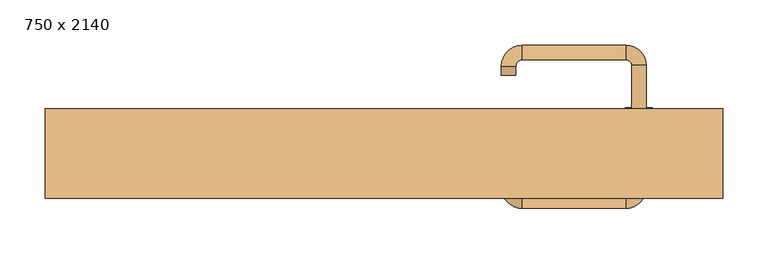
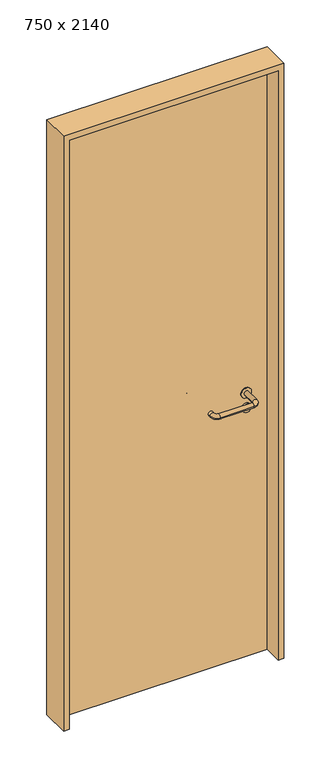
"""IFC4 building model written with IfcOpenShell, lengths in millimetres: door geometry, 750 x 2140."""

import ifcopenshell
import ifcopenshell.guid

model = None  # the IFC model being written
_history = None  # IfcOwnerHistory: only IFC2X3 demands one
_inside = {}  # id of a spatial element -> (the spatial element, [elements in it])
_under = {}  # id of a project, library or spatial element -> (it, [spatial elements below it])
_declared = {}  # id of a project -> (the project, [libraries it declares])
_typed = {}  # id of a type object -> (the type object, [elements of that type])
_made_of = {}  # id of a material, layer set ... -> (it, [elements and type objects made of it])


def new_model(schema):
    """Start an empty IFC model of exactly this schema.

    Asked for "IFC4X3", IfcOpenShell would pick the latest addendum, in which some entities
    have other attributes; the version numbers below select the first issue.
    IFC2X3 requires an IfcOwnerHistory on every rooted entity: one is made here for all.
    """
    global model, _history
    if schema == "IFC4X3":
        model = ifcopenshell.file(schema_version=(4, 3, 0, 0))
    else:
        model = ifcopenshell.file(schema=schema)
    _inside.clear()
    _under.clear()
    _declared.clear()
    _typed.clear()
    _made_of.clear()
    _history = None
    if model.schema == "IFC2X3":
        org = make("IfcOrganization", Name="unknown")
        user = make(
            "IfcPersonAndOrganization",
            ThePerson=make("IfcPerson", FamilyName="unknown"),
            TheOrganization=org,
        )
        app = make(
            "IfcApplication",
            ApplicationDeveloper=org,
            Version="unknown",
            ApplicationFullName="unknown",
            ApplicationIdentifier="unknown",
        )
        _history = make(
            "IfcOwnerHistory",
            OwningUser=user,
            OwningApplication=app,
            ChangeAction="ADDED",
            CreationDate=0,
        )
    return model


def make(cls, **values):
    """One entity of the class cls with the attributes given. An attribute that is None is left unset."""
    return model.create_entity(
        cls, **{name: value for name, value in values.items() if value is not None}
    )


def rooted(cls, **values):
    """An entity with a GlobalId (a new one), such as an element, a storey or a relation."""
    return make(cls, GlobalId=ifcopenshell.guid.new(), OwnerHistory=_history, **values)


def si_unit(unit_type, name, prefix=None):
    """IfcSIUnit, for example si_unit("LENGTHUNIT", "METRE", prefix="MILLI")."""
    return make("IfcSIUnit", UnitType=unit_type, Prefix=prefix, Name=name)


def assignment(units):
    """IfcUnitAssignment: the units of a project."""
    return None if units is None else make("IfcUnitAssignment", Units=units)


def point(xyz):
    """IfcCartesianPoint."""
    return None if xyz is None else make("IfcCartesianPoint", Coordinates=xyz)


def direction(xyz):
    """IfcDirection."""
    return None if xyz is None else make("IfcDirection", DirectionRatios=xyz)


def frame(location, z_axis=None, x_axis=None):
    """IfcAxis2Placement3D, a coordinate frame: its origin and axes. An axis left out is left unset."""
    return make(
        "IfcAxis2Placement3D",
        Location=point(location),
        Axis=direction(z_axis),
        RefDirection=direction(x_axis),
    )


def frame_2d(location, x_axis=None):
    """IfcAxis2Placement2D, a coordinate frame in the plane: its origin and x axis."""
    return make(
        "IfcAxis2Placement2D", Location=point(location), RefDirection=direction(x_axis)
    )


def origin():
    """The frame at (0, 0, 0) with its axes left unset."""
    return frame((0.0, 0.0, 0.0))


def origin_with_axes():
    """The frame at (0, 0, 0) with the z axis (0, 0, 1) and the x axis (1, 0, 0) written out."""
    return frame((0.0, 0.0, 0.0), z_axis=(0.0, 0.0, 1.0), x_axis=(1.0, 0.0, 0.0))


def place(relative_to, where):
    """IfcLocalPlacement: puts the frame where relative to a parent placement (None: the world)."""
    return make(
        "IfcLocalPlacement", PlacementRelTo=relative_to, RelativePlacement=where
    )


def context(
    kind, dimensions, precision=None, world=None, true_north=None, identifier=None
):
    """IfcGeometricRepresentationContext, for example the 3D "Model" context."""
    return make(
        "IfcGeometricRepresentationContext",
        ContextIdentifier=identifier,
        ContextType=kind,
        CoordinateSpaceDimension=dimensions,
        Precision=precision,
        WorldCoordinateSystem=world,
        TrueNorth=true_north,
    )


def project(units=None, contexts=None):
    """IfcProject with its units and contexts."""
    return rooted(
        "IfcProject",
        Name="project",
        RepresentationContexts=contexts,
        UnitsInContext=assignment(units),
    )


def spatial(cls, under=None, at=None, **own):
    """A site, building, storey or space (cls), placed at a placement, below another one or the project."""
    s = rooted(cls, ObjectPlacement=at, **own)
    if under is not None:
        _under.setdefault(under.id(), (under, []))[1].append(s)
    return s


def polyline(points):
    """IfcPolyline through the points."""
    return make("IfcPolyline", Points=[point(p) for p in points])


def circle_curve(where, radius):
    """IfcCircle in the frame where."""
    return make("IfcCircle", Position=where, Radius=radius)


def ellipse_curve(where, semi_axis1, semi_axis2):
    """IfcEllipse in the frame where."""
    return make(
        "IfcEllipse", Position=where, SemiAxis1=semi_axis1, SemiAxis2=semi_axis2
    )


def trimmed(basis, trim1, trim2, sense, master):
    """IfcTrimmedCurve: the piece of a basis curve between two trims."""
    return make(
        "IfcTrimmedCurve",
        BasisCurve=basis,
        Trim1=trim1,
        Trim2=trim2,
        SenseAgreement=sense,
        MasterRepresentation=master,
    )


def segment(curve, same_sense, transition):
    """IfcCompositeCurveSegment."""
    return make(
        "IfcCompositeCurveSegment",
        Transition=transition,
        SameSense=same_sense,
        ParentCurve=curve,
    )


def composite_curve(segments, self_intersect=None):
    """IfcCompositeCurve: segments joined end to end."""
    return make("IfcCompositeCurve", Segments=segments, SelfIntersect=self_intersect)


def outline(outer, holes=None, kind="AREA"):
    """IfcArbitraryClosedProfileDef: a profile drawn as a closed curve; with holes, ...WithVoids."""
    if holes is None:
        return make("IfcArbitraryClosedProfileDef", ProfileType=kind, OuterCurve=outer)
    return make(
        "IfcArbitraryProfileDefWithVoids",
        ProfileType=kind,
        OuterCurve=outer,
        InnerCurves=holes,
    )


def extrude(swept, where, along, depth):
    """IfcExtrudedAreaSolid: the profile swept, set in the frame where, extruded along a direction by depth."""
    return make(
        "IfcExtrudedAreaSolid",
        SweptArea=swept,
        Position=where,
        ExtrudedDirection=direction(along),
        Depth=depth,
    )


def shape(context_of_items, identifier, shape_type, items):
    """IfcShapeRepresentation: the items that make up one representation, for example the "Body"."""
    return make(
        "IfcShapeRepresentation",
        ContextOfItems=context_of_items,
        RepresentationIdentifier=identifier,
        RepresentationType=shape_type,
        Items=items,
    )


def source(mapping_origin, context_of_items, identifier, shape_type, items):
    """IfcRepresentationMap: a shape defined once, which mapped items show again and again."""
    return make(
        "IfcRepresentationMap",
        MappingOrigin=mapping_origin,
        MappedRepresentation=shape(context_of_items, identifier, shape_type, items),
    )


def transform(
    local_origin,
    x_axis=None,
    y_axis=None,
    z_axis=None,
    scale=None,
    scale2=None,
    scale3=None,
    uniform=True,
):
    """IfcCartesianTransformationOperator3D, or its non-uniform kind. x_axis, y_axis, z_axis: its Axis1, 2, 3."""
    if uniform:
        return make(
            "IfcCartesianTransformationOperator3D",
            Axis1=direction(x_axis),
            Axis2=direction(y_axis),
            LocalOrigin=point(local_origin),
            Scale=scale,
            Axis3=direction(z_axis),
        )
    return make(
        "IfcCartesianTransformationOperator3DnonUniform",
        Axis1=direction(x_axis),
        Axis2=direction(y_axis),
        LocalOrigin=point(local_origin),
        Scale=scale,
        Axis3=direction(z_axis),
        Scale2=scale2,
        Scale3=scale3,
    )


def mapped(mapping_source, mapping_target):
    """IfcMappedItem: shows the shape of a source again, moved by a transform."""
    return make(
        "IfcMappedItem", MappingSource=mapping_source, MappingTarget=mapping_target
    )


def made_of(thing, what):
    """Note that an element or type object is made of a material, layer set ...; save() writes the relation."""
    if what is not None:
        _made_of.setdefault(what.id(), (what, []))[1].append(thing)
    return thing


def element(
    cls,
    number,
    at=None,
    inside=None,
    cuts=None,
    type_object=None,
    material=None,
    context=None,
    identifier="Body",
    shape_type=None,
    held_by="IfcProductDefinitionShape",
    body=None,
    shapes=None,
    **own,
):
    """One element of the class cls, such as IfcWall. Its Tag is "e" and its number.

    at: its placement. inside: the storey or other place that contains it. cuts: it is an
    opening in that element (IfcRelVoidsElement). A single representation is given by context,
    identifier, shape_type and body (its items); several are given by shapes. held_by: the class
    of the entity that holds the representations. save() writes the other relations.
    """
    e = rooted(cls, Tag="e%d" % number, ObjectPlacement=at, **own)
    if body is not None:
        shapes = [shape(context, identifier, shape_type, body)]
    if shapes is not None:
        e.Representation = make(held_by, Representations=shapes)
    if inside is not None:
        _inside.setdefault(inside.id(), (inside, []))[1].append(e)
    if cuts is not None:
        rooted(
            "IfcRelVoidsElement", RelatingBuildingElement=cuts, RelatedOpeningElement=e
        )
    if type_object is not None:
        _typed.setdefault(type_object.id(), (type_object, []))[1].append(e)
    return made_of(e, material)


def aggregate(whole, parts):
    """IfcRelAggregates: a whole, such as a stair, and the parts it consists of."""
    return rooted("IfcRelAggregates", RelatingObject=whole, RelatedObjects=parts)


def save(model, path):
    """Write the relations noted so far, then the file.

    IfcRelAggregates (storeys below a building ...), IfcRelContainedInSpatialStructure (elements
    in a storey), IfcRelDefinesByType, IfcRelAssociatesMaterial and IfcRelDeclares: one each for
    every whole, place, type object, material and project.
    """
    for whole, parts in _under.values():
        aggregate(whole, parts)
    for where, things in _inside.values():
        rooted(
            "IfcRelContainedInSpatialStructure",
            RelatedElements=things,
            RelatingStructure=where,
        )
    for kind, things in _typed.values():
        rooted("IfcRelDefinesByType", RelatedObjects=things, RelatingType=kind)
    for what, things in _made_of.values():
        rooted("IfcRelAssociatesMaterial", RelatedObjects=things, RelatingMaterial=what)
    for by, libraries in _declared.values():
        rooted("IfcRelDeclares", RelatingContext=by, RelatedDefinitions=libraries)
    model.write(path)


def plane_surface(at):
    """IfcPlane: the flat surface through the origin of the frame at, square to its z axis."""
    return make("IfcPlane", Position=at)


def cylinder_surface(at, radius):
    """IfcCylindricalSurface: all points at the distance radius from the z axis of the frame at."""
    return make("IfcCylindricalSurface", Position=at, Radius=radius)


def revolved_surface(curve, axis_point, axis_direction):
    """IfcSurfaceOfRevolution: the curve turned about the line through axis_point along axis_direction."""
    return make(
        "IfcSurfaceOfRevolution",
        SweptCurve=make("IfcArbitraryOpenProfileDef", ProfileType="CURVE", Curve=curve),
        AxisPosition=make("IfcAxis1Placement", Location=point(axis_point), Axis=direction(axis_direction)),
    )


def advanced_brep(points, edges, surfaces, faces):
    """IfcAdvancedBrep: a solid bounded by faces that lie on surfaces and meet in shared edges.

    An edge is (start, end): straight between two places in points (the first is 0);
    or (start, end, curve); or (start, end, curve, False) where it runs against its curve.
    A face is (place in surfaces, loops), or (place, loops, False) where it looks against
    its surface's normal. A loop lists edges by number (the first is 1), with a minus sign
    where the edge is run from its end to its start. The first loop is the outer one.
    """
    corners = [point(p) for p in points]
    vertices = [make("IfcVertexPoint", VertexGeometry=c) for c in corners]
    made = []
    for start, end, *more in edges:
        made.append(
            make(
                "IfcEdgeCurve",
                EdgeStart=vertices[start],
                EdgeEnd=vertices[end],
                EdgeGeometry=more[0] if more else make("IfcPolyline", Points=[corners[start], corners[end]]),
                SameSense=more[1] if len(more) > 1 else True,
            )
        )
    hull = []
    for where, loops, *sense in faces:
        bounds = []
        for j, loop in enumerate(loops):
            ring = [make("IfcOrientedEdge", EdgeElement=made[abs(k) - 1], Orientation=k > 0) for k in loop]
            bounds.append(
                make(
                    "IfcFaceOuterBound" if j == 0 else "IfcFaceBound",
                    Bound=make("IfcEdgeLoop", EdgeList=ring),
                    Orientation=True,
                )
            )
        hull.append(make("IfcAdvancedFace", Bounds=bounds, FaceSurface=surfaces[where], SameSense=sense[0] if sense else True))
    return make("IfcAdvancedBrep", Outer=make("IfcClosedShell", CfsFaces=hull))


def door_750_x_2140_cf965379(model_context):
    return source(origin(), model_context, "Body", "SolidModel", [
        extrude(outline(composite_curve([segment(trimmed(circle_curve(frame_2d((897.3605726, 282.0)), 15.0), [point((897.3605726, 297.0))], [point((897.3605726, 267.0))], False, "CARTESIAN"), True, "CONTINUOUS"), segment(trimmed(circle_curve(frame_2d((897.3605726, 282.0)), 15.0), [point((897.3605726, 267.0))], [point((897.3605726, 297.0))], False, "CARTESIAN"), True, "CONTINUOUS")], self_intersect=False), holes=[composite_curve([segment(trimmed(circle_curve(frame_2d((892.5833211, 281.9398032)), 2.0), [point((892.5833211, 283.9398032))], [point((892.5833211, 279.9398032))], True, "CARTESIAN"), True, "CONTINUOUS"), segment(polyline([(892.5833211, 279.9398032), (902.5833211, 279.9398032)]), True, "CONTINUOUS"), segment(trimmed(circle_curve(frame_2d((902.5833211, 281.9398032)), 2.0), [point((902.5833211, 279.9398032))], [point((902.5833211, 283.9398032))], True, "CARTESIAN"), True, "CONTINUOUS"), segment(polyline([(902.5833211, 283.9398032), (892.5833211, 283.9398032)]), True, "CONTINUOUS")], self_intersect=False)]), frame((0.0, 8.65, 0.0), z_axis=(0.0, 1.0, 0.0), x_axis=(0.0, 0.0, 1.0)), (0.0, 0.0, 1.0), 6.35),
        extrude(outline(composite_curve([segment(trimmed(circle_curve(frame_2d((950.0, 282.0)), 17.526), [point((950.0, 299.526))], [point((950.0, 264.474))], False, "CARTESIAN"), True, "CONTINUOUS"), segment(trimmed(circle_curve(frame_2d((950.0, 282.0)), 17.526), [point((950.0, 264.474))], [point((950.0, 299.526))], False, "CARTESIAN"), True, "CONTINUOUS")], self_intersect=False)), frame((0.0, 11.825, 0.0), z_axis=(0.0, 1.0, 0.0), x_axis=(0.0, 0.0, 1.0)), (0.0, 0.0, 1.0), 3.175),
        advanced_brep(
        [(290.0, 15.0, 950.0), (274.0, 15.0, 950.0), (274.0, -38.0, 950.0), (290.0, -38.0, 950.0), (267.8578644, -44.1421356, 950.0), (267.8578644, -60.1421356, 950.0), (152.8578644, -44.1421356, 950.0), (152.8578644, -60.1421356, 950.0), (146.008622, -37.2928932, 950.0), (130.008622, -37.2928932, 950.0), (130.008622, -27.2928932, 950.0), (146.008622, -27.2928932, 950.0)],
        [
            (0, 1, circle_curve(frame((282.0, 15.0, 950.0), z_axis=(0.0, 1.0, 0.0), x_axis=(-1.0, 0.0, 0.0)), 8.0)),
            (1, 0, circle_curve(frame((282.0, 15.0, 950.0), z_axis=(0.0, 1.0, 0.0), x_axis=(-1.0, 0.0, 0.0)), 8.0)),
            (1, 2),
            (2, 3, circle_curve(frame((282.0, -38.0, 950.0), z_axis=(0.0, 1.0, 0.0), x_axis=(-1.0, 0.0, 0.0)), 8.0)),
            (3, 0),
            (3, 2, circle_curve(frame((282.0, -38.0, 950.0), z_axis=(0.0, 1.0, 0.0), x_axis=(-1.0, 0.0, 0.0)), 8.0)),
            (4, 5, circle_curve(frame((267.8578644, -52.1421356, 950.0), z_axis=(1.0, 0.0, 0.0), x_axis=(0.0, 1.0, 0.0)), 8.0)),
            (5, 3, circle_curve(frame((267.8578644, -38.0, 950.0), z_axis=(0.0, 0.0, 1.0), x_axis=(1.0, 0.0, 0.0)), 22.1421356)),
            (2, 4, circle_curve(frame((267.8578644, -38.0, 950.0), z_axis=(0.0, 0.0, -1.0), x_axis=(1.0, 0.0, 0.0)), 6.1421356)),
            (5, 4, circle_curve(frame((267.8578644, -52.1421356, 950.0), z_axis=(1.0, 0.0, 0.0), x_axis=(0.0, 1.0, 0.0)), 8.0)),
            (4, 6),
            (6, 7, circle_curve(frame((152.8578644, -52.1421356, 950.0), z_axis=(1.0, 0.0, 0.0), x_axis=(0.0, 1.0, 0.0)), 8.0)),
            (7, 5),
            (7, 6, circle_curve(frame((152.8578644, -52.1421356, 950.0), z_axis=(1.0, 0.0, 0.0), x_axis=(0.0, 1.0, 0.0)), 8.0)),
            (8, 9, circle_curve(frame((138.008622, -37.2928932, 950.0), z_axis=(0.0, -1.0, 0.0), x_axis=(1.0, 0.0, 0.0)), 8.0)),
            (9, 7, circle_curve(frame((152.8578644, -37.2928932, 950.0), z_axis=(0.0, 0.0, 1.0), x_axis=(0.0, -1.0, 0.0)), 22.8492424)),
            (6, 8, circle_curve(frame((152.8578644, -37.2928932, 950.0), z_axis=(0.0, 0.0, -1.0), x_axis=(0.0, -1.0, 0.0)), 6.8492424)),
            (9, 8, circle_curve(frame((138.008622, -37.2928932, 950.0), z_axis=(0.0, -1.0, 0.0), x_axis=(1.0, 0.0, 0.0)), 8.0)),
            (10, 11, circle_curve(frame((138.008622, -27.2928932, 950.0), z_axis=(0.0, 1.0, 0.0), x_axis=(1.0, 0.0, 0.0)), 8.0)),
            (11, 10, circle_curve(frame((138.008622, -27.2928932, 950.0), z_axis=(0.0, 1.0, 0.0), x_axis=(1.0, 0.0, 0.0)), 8.0)),
            (8, 11),
            (10, 9),
        ],
        [
            plane_surface(frame((282.0, 15.0, 0.0), z_axis=(0.0, 1.0, 0.0), x_axis=(0.0, 0.0, 1.0))),
            cylinder_surface(frame((282.0, 15.0, 950.0), z_axis=(0.0, 1.0, 0.0), x_axis=(-1.0, 0.0, 0.0)), 8.0),
            revolved_surface(trimmed(ellipse_curve(frame((282.0, -38.0, 950.0), z_axis=(0.0, -1.0, 0.0), x_axis=(-1.0, 0.0, 0.0)), 8.0, 8.0), [point((290.0, -38.0, 950.0))], [point((274.0, -38.0, 950.0))], True, "CARTESIAN"), (267.8578644, -38.0, 0.0), (0.0, 0.0, 1.0)),
            revolved_surface(trimmed(ellipse_curve(frame((282.0, -38.0, 950.0), z_axis=(0.0, -1.0, 0.0), x_axis=(-1.0, 0.0, 0.0)), 8.0, 8.0), [point((274.0, -38.0, 950.0))], [point((290.0, -38.0, 950.0))], True, "CARTESIAN"), (267.8578644, -38.0, 0.0), (0.0, 0.0, 1.0)),
            cylinder_surface(frame((267.8578644, -52.1421356, 950.0), z_axis=(1.0, 0.0, 0.0), x_axis=(0.0, 1.0, 0.0)), 8.0),
            revolved_surface(trimmed(ellipse_curve(frame((152.8578644, -52.1421356, 950.0), z_axis=(-1.0, 0.0, 0.0), x_axis=(0.0, 1.0, 0.0)), 8.0, 8.0), [point((152.8578644, -60.1421356, 950.0))], [point((152.8578644, -44.1421356, 950.0))], True, "CARTESIAN"), (152.8578644, -37.2928932, 0.0), (0.0, 0.0, 1.0)),
            revolved_surface(trimmed(ellipse_curve(frame((152.8578644, -52.1421356, 950.0), z_axis=(-1.0, 0.0, 0.0), x_axis=(0.0, 1.0, 0.0)), 8.0, 8.0), [point((152.8578644, -44.1421356, 950.0))], [point((152.8578644, -60.1421356, 950.0))], True, "CARTESIAN"), (152.8578644, -37.2928932, 0.0), (0.0, 0.0, 1.0)),
            plane_surface(frame((138.008622, -27.2928932, 0.0), z_axis=(0.0, 1.0, 0.0), x_axis=(0.0, 0.0, 1.0))),
            cylinder_surface(frame((138.008622, -37.2928932, 950.0), z_axis=(0.0, -1.0, 0.0), x_axis=(1.0, 0.0, 0.0)), 8.0),
        ],
        [
            (0, [[1, 2]]),
            (1, [[3, 4, 5, -2]]),
            (1, [[-5, 6, -3, -1]]),
            (2, [[7, 8, -4, 9]]),
            (3, [[10, -9, -6, -8]]),
            (4, [[11, 12, 13, -7]]),
            (4, [[-13, 14, -11, -10]]),
            (5, [[15, 16, -12, 17]]),
            (6, [[18, -17, -14, -16]]),
            (7, [[19, 20]]),
            (8, [[21, -19, 22, -15]]),
            (8, [[-22, -20, -21, -18]]),
        ],
    ),
        extrude(outline(composite_curve([segment(trimmed(circle_curve(frame_2d((0.0, -15.0)), 15.0), [point((0.0, -30.0))], [point((0.0, 0.0))], False, "CARTESIAN"), True, "CONTINUOUS"), segment(trimmed(circle_curve(frame_2d((0.0, -15.0)), 15.0), [point((0.0, 0.0))], [point((0.0, -30.0))], False, "CARTESIAN"), True, "CONTINUOUS")], self_intersect=False), holes=[composite_curve([segment(trimmed(circle_curve(frame_2d((4.7772515, -14.9398032)), 2.0), [point((4.7772515, -16.9398032))], [point((4.7772515, -12.9398032))], True, "CARTESIAN"), True, "CONTINUOUS"), segment(polyline([(4.7772515, -12.9398032), (-5.2227485, -12.9398032)]), True, "CONTINUOUS"), segment(trimmed(circle_curve(frame_2d((-5.2227485, -14.9398032)), 2.0), [point((-5.2227485, -12.9398032))], [point((-5.2227485, -16.9398032))], True, "CARTESIAN"), True, "CONTINUOUS"), segment(polyline([(-5.2227485, -16.9398032), (4.7772515, -16.9398032)]), True, "CONTINUOUS")], self_intersect=False)]), frame((267.0, 45.0, 897.3605726), z_axis=(1.8870575173328306e-12, 1.0, 0.0), x_axis=(0.0, 0.0, -1.0)), (0.0, 0.0, 1.0), 6.35),
        extrude(outline(composite_curve([segment(trimmed(circle_curve(frame_2d((0.0, -17.526)), 17.526), [point((0.0, -35.052))], [point((0.0, 0.0))], False, "CARTESIAN"), True, "CONTINUOUS"), segment(trimmed(circle_curve(frame_2d((0.0, -17.526)), 17.526), [point((0.0, 0.0))], [point((0.0, -35.052))], False, "CARTESIAN"), True, "CONTINUOUS")], self_intersect=False)), frame((264.474, 45.0, 950.0), z_axis=(1.8870575173328306e-12, 1.0, 0.0), x_axis=(0.0, 0.0, -1.0)), (0.0, 0.0, 1.0), 3.175),
        advanced_brep(
        [(290.0, 45.0, 950.0), (274.0, 45.0, 950.0), (290.0, 98.0, 950.0), (274.0, 98.0, 950.0), (267.8578644, 104.1421356, 950.0), (267.8578644, 120.1421356, 950.0), (152.8578644, 120.1421356, 950.0), (152.8578644, 104.1421356, 950.0), (146.008622, 97.2928932, 950.0), (130.008622, 97.2928932, 950.0), (130.008622, 87.2928932, 950.0), (146.008622, 87.2928932, 950.0)],
        [
            (0, 1, circle_curve(frame((282.0, 45.0, 950.0), z_axis=(-1.888672253512351e-12, -1.0, 0.0), x_axis=(-1.0, 1.888672253512351e-12, 0.0)), 8.0)),
            (1, 0, circle_curve(frame((282.0, 45.0, 950.0), z_axis=(-1.888672253512351e-12, -1.0, 0.0), x_axis=(-1.0, 1.888672253512351e-12, 0.0)), 8.0)),
            (0, 2),
            (2, 3, circle_curve(frame((282.0, 98.0, 950.0), z_axis=(-1.888672253512351e-12, -1.0, 0.0), x_axis=(-1.0, 1.888672253512351e-12, 0.0)), 8.0)),
            (3, 1),
            (3, 2, circle_curve(frame((282.0, 98.0, 950.0), z_axis=(-1.888672253512351e-12, -1.0, 0.0), x_axis=(-1.0, 1.888672253512351e-12, 0.0)), 8.0)),
            (4, 3, circle_curve(frame((267.8578644, 98.0, 950.0), z_axis=(0.0, 0.0, -1.0), x_axis=(1.0, -1.880717803715015e-12, 0.0)), 6.1421356)),
            (2, 5, circle_curve(frame((267.8578644, 98.0, 950.0), z_axis=(0.0, 0.0, 1.0), x_axis=(1.0, -1.880717803715015e-12, 0.0)), 22.1421356)),
            (5, 4, circle_curve(frame((267.8578644, 112.1421356, 950.0), z_axis=(1.0, -1.913702061528922e-12, 0.0), x_axis=(-1.913702061528922e-12, -1.0, 0.0)), 8.0)),
            (4, 5, circle_curve(frame((267.8578644, 112.1421356, 950.0), z_axis=(1.0, -1.913702061528922e-12, 0.0), x_axis=(-1.913702061528922e-12, -1.0, 0.0)), 8.0)),
            (5, 6),
            (6, 7, circle_curve(frame((152.8578644, 112.1421356, 950.0), z_axis=(1.0, -1.913719828541269e-12, 0.0), x_axis=(-1.913719828541269e-12, -1.0, 0.0)), 8.0)),
            (7, 4),
            (7, 6, circle_curve(frame((152.8578644, 112.1421356, 950.0), z_axis=(1.0, -1.913719828541269e-12, 0.0), x_axis=(-1.913719828541269e-12, -1.0, 0.0)), 8.0)),
            (8, 7, circle_curve(frame((152.8578644, 97.2928932, 950.0), z_axis=(0.0, 0.0, -1.0), x_axis=(1.9120873253494017e-12, 1.0, 0.0)), 6.8492424)),
            (6, 9, circle_curve(frame((152.8578644, 97.2928932, 950.0), z_axis=(0.0, 0.0, 1.0), x_axis=(1.9120873253494017e-12, 1.0, 0.0)), 22.8492424)),
            (9, 8, circle_curve(frame((138.008622, 97.2928932, 950.0), z_axis=(1.890448610351751e-12, 1.0, 0.0), x_axis=(1.0, -1.890448610351751e-12, 0.0)), 8.0)),
            (8, 9, circle_curve(frame((138.008622, 97.2928932, 950.0), z_axis=(1.8888942981172756e-12, 1.0, 0.0), x_axis=(1.0, -1.8888942981172756e-12, 0.0)), 8.0)),
            (10, 11, circle_curve(frame((138.008622, 87.2928932, 950.0), z_axis=(-1.8903642334018795e-12, -1.0, 0.0), x_axis=(1.0, -1.8903642334018795e-12, 0.0)), 8.0)),
            (11, 10, circle_curve(frame((138.008622, 87.2928932, 950.0), z_axis=(-1.8903642334018795e-12, -1.0, 0.0), x_axis=(1.0, -1.8903642334018795e-12, 0.0)), 8.0)),
            (9, 10),
            (11, 8),
        ],
        [
            plane_surface(frame((282.0, 45.0, 0.0), z_axis=(-1.8870575173328306e-12, -1.0, 0.0), x_axis=(0.0, 0.0, 1.0))),
            cylinder_surface(frame((282.0, 45.0, 950.0), z_axis=(-1.888672253512351e-12, -1.0, 0.0), x_axis=(-1.0, 1.888672253512351e-12, 0.0)), 8.0),
            revolved_surface(trimmed(ellipse_curve(frame((282.0, 98.0, 950.0), z_axis=(-1.8823325398945356e-12, -1.0, 0.0), x_axis=(-1.0, 1.8823325398945356e-12, 0.0)), 8.0, 8.0), [point((290.0, 98.0, 950.0))], [point((274.0, 98.0, 950.0))], True, "CARTESIAN"), (267.8578644, 98.0, 0.0), (0.0, 0.0, 1.0)),
            revolved_surface(trimmed(ellipse_curve(frame((282.0, 98.0, 950.0), z_axis=(-1.8823325398945356e-12, -1.0, 0.0), x_axis=(-1.0, 1.8823325398945356e-12, 0.0)), 8.0, 8.0), [point((274.0, 98.0, 950.0))], [point((290.0, 98.0, 950.0))], True, "CARTESIAN"), (267.8578644, 98.0, 0.0), (0.0, 0.0, 1.0)),
            cylinder_surface(frame((267.8578644, 112.1421356, 950.0), z_axis=(1.0, -1.913719828541269e-12, 0.0), x_axis=(-1.913719828541269e-12, -1.0, 0.0)), 8.0),
            revolved_surface(trimmed(ellipse_curve(frame((152.8578644, 112.1421356, 950.0), z_axis=(1.0, -1.913702061528922e-12, 0.0), x_axis=(-1.913702061528922e-12, -1.0, 0.0)), 8.0, 8.0), [point((152.8578644, 120.1421356, 950.0))], [point((152.8578644, 104.1421356, 950.0))], True, "CARTESIAN"), (152.8578644, 97.2928932, 0.0), (0.0, 0.0, 1.0)),
            revolved_surface(trimmed(ellipse_curve(frame((152.8578644, 112.1421356, 950.0), z_axis=(1.0, -1.913702061528922e-12, 0.0), x_axis=(-1.913702061528922e-12, -1.0, 0.0)), 8.0, 8.0), [point((152.8578644, 104.1421356, 950.0))], [point((152.8578644, 120.1421356, 950.0))], True, "CARTESIAN"), (152.8578644, 97.2928932, 0.0), (0.0, 0.0, 1.0)),
            plane_surface(frame((138.008622, 87.2928932, 0.0), z_axis=(-1.8887494972223595e-12, -1.0, 0.0), x_axis=(0.0, 0.0, 1.0))),
            cylinder_surface(frame((138.008622, 97.2928932, 950.0), z_axis=(1.8903642334018795e-12, 1.0, 0.0), x_axis=(1.0, -1.8903642334018795e-12, 0.0)), 8.0),
        ],
        [
            (0, [[1, 2]]),
            (1, [[-1, 3, 4, 5]]),
            (1, [[-2, -5, 6, -3]]),
            (2, [[7, -4, 8, 9]]),
            (3, [[-8, -6, -7, 10]]),
            (4, [[-9, 11, 12, 13]]),
            (4, [[-10, -13, 14, -11]]),
            (5, [[15, -12, 16, 17]]),
            (6, [[-16, -14, -15, 18]]),
            (7, [[19, 20]]),
            (8, [[-17, 21, -20, 22]]),
            (8, [[-18, -22, -19, -21]]),
        ],
    ),
        extrude(outline(polyline([(2120.0, 355.0), (0.0, 355.0), (0.0, 375.0), (2140.0, 375.0), (2140.0, -375.0), (0.0, -375.0), (0.0, -355.0), (2120.0, -355.0), (2120.0, 355.0)])), frame((0.0, -49.0, 0.0), z_axis=(0.0, 1.0, 0.0), x_axis=(0.0, 0.0, 1.0)), (0.0, 0.0, 1.0), 99.0),
        extrude(outline(polyline([(-355.0, 45.0), (355.0, 45.0), (355.0, 15.0), (-355.0, 15.0), (-355.0, 45.0)])), origin_with_axes(), (0.0, 0.0, 1.0), 2120.0),
    ])


if __name__ == "__main__":
    model = new_model("IFC4")
    model_context = context("Model", 3, world=origin())
    ifc_project = project(units=[si_unit("LENGTHUNIT", "METRE", prefix="MILLI")], contexts=[model_context])
    site = spatial("IfcSite", under=ifc_project)
    building = spatial("IfcBuilding", under=site)
    placement = place(None, origin())
    door_750_x_2140_shape = door_750_x_2140_cf965379(model_context)
    element("IfcDoor", 1, ObjectType="750 x 2140", at=placement, inside=building, context=model_context, shape_type="MappedRepresentation", body=[
        mapped(door_750_x_2140_shape, transform((0.0, 0.0, 0.0), x_axis=(1.0, 0.0, 0.0), y_axis=(0.0, 1.0, 0.0), z_axis=(0.0, 0.0, 1.0))),
    ])
    save(model, "model.ifc")
